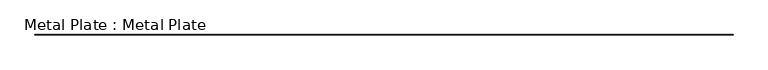
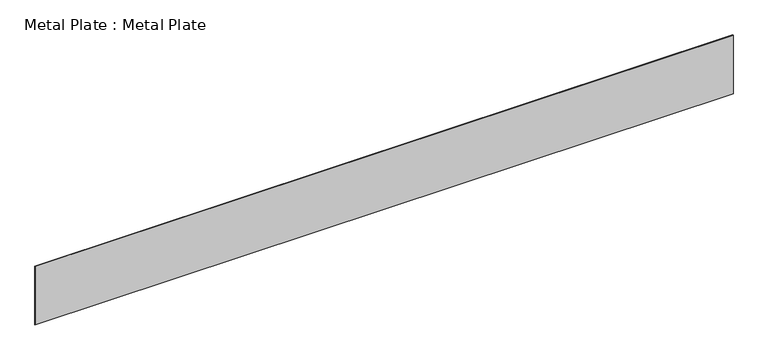
"""IFC4 building model written with IfcOpenShell, lengths in millimetres: proxy geometry, Metal Plate : Metal Plate."""

from ifc_helpers import new_model, si_unit, origin, origin_with_axes, place, context, project, spatial, polyline, outline, extrude, source, transform, mapped, element, save


def metal_plate_metal_plate_e06b833a(model_context):
    return source(origin(), model_context, "Body", "SweptSolid", [
        extrude(outline(polyline([(-6195.9657393, -6.0), (-6195.9657393, 0.0), (6195.9657393, 0.0), (6195.9657393, -6.0), (-6195.9657393, -6.0)])), origin_with_axes(), (0.0, 0.0, 1.0), 1100.0),
    ])


if __name__ == "__main__":
    model = new_model("IFC4")
    model_context = context("Model", 3, world=origin())
    ifc_project = project(units=[si_unit("LENGTHUNIT", "METRE", prefix="MILLI")], contexts=[model_context])
    site = spatial("IfcSite", under=ifc_project)
    building = spatial("IfcBuilding", under=site)
    placement = place(None, origin())
    metal_plate_metal_plate_shape = metal_plate_metal_plate_e06b833a(model_context)
    element("IfcBuildingElementProxy", 1, Name="Metal Plate : Metal Plate", ObjectType="Metal Plate : Metal Plate", at=placement, inside=building, context=model_context, shape_type="MappedRepresentation", body=[
        mapped(metal_plate_metal_plate_shape, transform((0.0, 0.0, 0.0), x_axis=(1.0, 0.0, 0.0), y_axis=(0.0, 1.0, 0.0), z_axis=(0.0, 0.0, 1.0))),
    ])
    save(model, "model.ifc")
